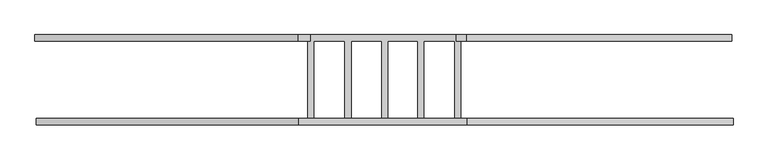
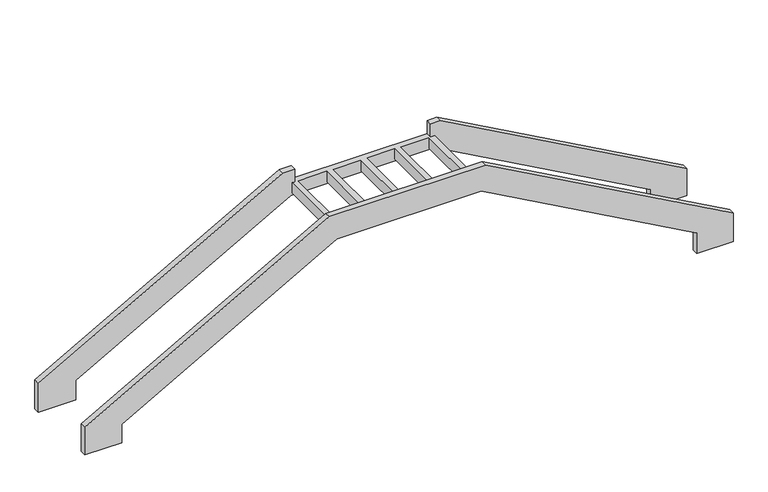
"""IFC4 building model written with IfcOpenShell, lengths in millimetres: stair geometry."""

import ifcopenshell
import ifcopenshell.guid

model = None  # the IFC model being written
_history = None  # IfcOwnerHistory: only IFC2X3 demands one
_inside = {}  # id of a spatial element -> (the spatial element, [elements in it])
_under = {}  # id of a project, library or spatial element -> (it, [spatial elements below it])
_declared = {}  # id of a project -> (the project, [libraries it declares])
_typed = {}  # id of a type object -> (the type object, [elements of that type])
_made_of = {}  # id of a material, layer set ... -> (it, [elements and type objects made of it])


def new_model(schema):
    """Start an empty IFC model of exactly this schema.

    Asked for "IFC4X3", IfcOpenShell would pick the latest addendum, in which some entities
    have other attributes; the version numbers below select the first issue.
    IFC2X3 requires an IfcOwnerHistory on every rooted entity: one is made here for all.
    """
    global model, _history
    if schema == "IFC4X3":
        model = ifcopenshell.file(schema_version=(4, 3, 0, 0))
    else:
        model = ifcopenshell.file(schema=schema)
    _inside.clear()
    _under.clear()
    _declared.clear()
    _typed.clear()
    _made_of.clear()
    _history = None
    if model.schema == "IFC2X3":
        org = make("IfcOrganization", Name="unknown")
        user = make(
            "IfcPersonAndOrganization",
            ThePerson=make("IfcPerson", FamilyName="unknown"),
            TheOrganization=org,
        )
        app = make(
            "IfcApplication",
            ApplicationDeveloper=org,
            Version="unknown",
            ApplicationFullName="unknown",
            ApplicationIdentifier="unknown",
        )
        _history = make(
            "IfcOwnerHistory",
            OwningUser=user,
            OwningApplication=app,
            ChangeAction="ADDED",
            CreationDate=0,
        )
    return model


def make(cls, **values):
    """One entity of the class cls with the attributes given. An attribute that is None is left unset."""
    return model.create_entity(
        cls, **{name: value for name, value in values.items() if value is not None}
    )


def rooted(cls, **values):
    """An entity with a GlobalId (a new one), such as an element, a storey or a relation."""
    return make(cls, GlobalId=ifcopenshell.guid.new(), OwnerHistory=_history, **values)


def si_unit(unit_type, name, prefix=None):
    """IfcSIUnit, for example si_unit("LENGTHUNIT", "METRE", prefix="MILLI")."""
    return make("IfcSIUnit", UnitType=unit_type, Prefix=prefix, Name=name)


def assignment(units):
    """IfcUnitAssignment: the units of a project."""
    return None if units is None else make("IfcUnitAssignment", Units=units)


def point(xyz):
    """IfcCartesianPoint."""
    return None if xyz is None else make("IfcCartesianPoint", Coordinates=xyz)


def direction(xyz):
    """IfcDirection."""
    return None if xyz is None else make("IfcDirection", DirectionRatios=xyz)


def frame(location, z_axis=None, x_axis=None):
    """IfcAxis2Placement3D, a coordinate frame: its origin and axes. An axis left out is left unset."""
    return make(
        "IfcAxis2Placement3D",
        Location=point(location),
        Axis=direction(z_axis),
        RefDirection=direction(x_axis),
    )


def origin():
    """The frame at (0, 0, 0) with its axes left unset."""
    return frame((0.0, 0.0, 0.0))


def place(relative_to, where):
    """IfcLocalPlacement: puts the frame where relative to a parent placement (None: the world)."""
    return make(
        "IfcLocalPlacement", PlacementRelTo=relative_to, RelativePlacement=where
    )


def context(
    kind, dimensions, precision=None, world=None, true_north=None, identifier=None
):
    """IfcGeometricRepresentationContext, for example the 3D "Model" context."""
    return make(
        "IfcGeometricRepresentationContext",
        ContextIdentifier=identifier,
        ContextType=kind,
        CoordinateSpaceDimension=dimensions,
        Precision=precision,
        WorldCoordinateSystem=world,
        TrueNorth=true_north,
    )


def project(units=None, contexts=None):
    """IfcProject with its units and contexts."""
    return rooted(
        "IfcProject",
        Name="project",
        RepresentationContexts=contexts,
        UnitsInContext=assignment(units),
    )


def spatial(cls, under=None, at=None, **own):
    """A site, building, storey or space (cls), placed at a placement, below another one or the project."""
    s = rooted(cls, ObjectPlacement=at, **own)
    if under is not None:
        _under.setdefault(under.id(), (under, []))[1].append(s)
    return s


def faces_of(points, faces, orient=None, outer=None):
    """IfcFace entities. A face is a list of loops; a loop is a list of indices into points, from 0.

    orient and outer hold one flag for each loop. By default every Orientation is true, the
    first loop of a face is its IfcFaceOuterBound and the others are IfcFaceBound.
    """
    made = []
    for i, loops in enumerate(faces):
        bounds = []
        for j, loop in enumerate(loops):
            is_outer = j == 0 if outer is None else outer[i][j]
            bounds.append(
                make(
                    "IfcFaceOuterBound" if is_outer else "IfcFaceBound",
                    Bound=make("IfcPolyLoop", Polygon=[points[k] for k in loop]),
                    Orientation=True if orient is None else orient[i][j],
                )
            )
        made.append(make("IfcFace", Bounds=bounds))
    return made


def faceted_brep(points, faces, orient=None, outer=None, voids=None):
    """IfcFacetedBrep: a solid bounded by flat faces; with voids (closed shells), ...WithVoids."""
    shared = [point(p) for p in points]
    hull = make("IfcClosedShell", CfsFaces=faces_of(shared, faces, orient, outer))
    if voids is None:
        return make("IfcFacetedBrep", Outer=hull)
    return make(
        "IfcFacetedBrepWithVoids",
        Outer=hull,
        Voids=[
            make(cls, CfsFaces=faces_of(shared, fs, o, b)) for cls, fs, o, b in voids
        ],
    )


def shape(context_of_items, identifier, shape_type, items):
    """IfcShapeRepresentation: the items that make up one representation, for example the "Body"."""
    return make(
        "IfcShapeRepresentation",
        ContextOfItems=context_of_items,
        RepresentationIdentifier=identifier,
        RepresentationType=shape_type,
        Items=items,
    )


def source(mapping_origin, context_of_items, identifier, shape_type, items):
    """IfcRepresentationMap: a shape defined once, which mapped items show again and again."""
    return make(
        "IfcRepresentationMap",
        MappingOrigin=mapping_origin,
        MappedRepresentation=shape(context_of_items, identifier, shape_type, items),
    )


def transform(
    local_origin,
    x_axis=None,
    y_axis=None,
    z_axis=None,
    scale=None,
    scale2=None,
    scale3=None,
    uniform=True,
):
    """IfcCartesianTransformationOperator3D, or its non-uniform kind. x_axis, y_axis, z_axis: its Axis1, 2, 3."""
    if uniform:
        return make(
            "IfcCartesianTransformationOperator3D",
            Axis1=direction(x_axis),
            Axis2=direction(y_axis),
            LocalOrigin=point(local_origin),
            Scale=scale,
            Axis3=direction(z_axis),
        )
    return make(
        "IfcCartesianTransformationOperator3DnonUniform",
        Axis1=direction(x_axis),
        Axis2=direction(y_axis),
        LocalOrigin=point(local_origin),
        Scale=scale,
        Axis3=direction(z_axis),
        Scale2=scale2,
        Scale3=scale3,
    )


def mapped(mapping_source, mapping_target):
    """IfcMappedItem: shows the shape of a source again, moved by a transform."""
    return make(
        "IfcMappedItem", MappingSource=mapping_source, MappingTarget=mapping_target
    )


def made_of(thing, what):
    """Note that an element or type object is made of a material, layer set ...; save() writes the relation."""
    if what is not None:
        _made_of.setdefault(what.id(), (what, []))[1].append(thing)
    return thing


def element(
    cls,
    number,
    at=None,
    inside=None,
    cuts=None,
    type_object=None,
    material=None,
    context=None,
    identifier="Body",
    shape_type=None,
    held_by="IfcProductDefinitionShape",
    body=None,
    shapes=None,
    **own,
):
    """One element of the class cls, such as IfcWall. Its Tag is "e" and its number.

    at: its placement. inside: the storey or other place that contains it. cuts: it is an
    opening in that element (IfcRelVoidsElement). A single representation is given by context,
    identifier, shape_type and body (its items); several are given by shapes. held_by: the class
    of the entity that holds the representations. save() writes the other relations.
    """
    e = rooted(cls, Tag="e%d" % number, ObjectPlacement=at, **own)
    if body is not None:
        shapes = [shape(context, identifier, shape_type, body)]
    if shapes is not None:
        e.Representation = make(held_by, Representations=shapes)
    if inside is not None:
        _inside.setdefault(inside.id(), (inside, []))[1].append(e)
    if cuts is not None:
        rooted(
            "IfcRelVoidsElement", RelatingBuildingElement=cuts, RelatedOpeningElement=e
        )
    if type_object is not None:
        _typed.setdefault(type_object.id(), (type_object, []))[1].append(e)
    return made_of(e, material)


def aggregate(whole, parts):
    """IfcRelAggregates: a whole, such as a stair, and the parts it consists of."""
    return rooted("IfcRelAggregates", RelatingObject=whole, RelatedObjects=parts)


def save(model, path):
    """Write the relations noted so far, then the file.

    IfcRelAggregates (storeys below a building ...), IfcRelContainedInSpatialStructure (elements
    in a storey), IfcRelDefinesByType, IfcRelAssociatesMaterial and IfcRelDeclares: one each for
    every whole, place, type object, material and project.
    """
    for whole, parts in _under.values():
        aggregate(whole, parts)
    for where, things in _inside.values():
        rooted(
            "IfcRelContainedInSpatialStructure",
            RelatedElements=things,
            RelatingStructure=where,
        )
    for kind, things in _typed.values():
        rooted("IfcRelDefinesByType", RelatedObjects=things, RelatingType=kind)
    for what, things in _made_of.values():
        rooted("IfcRelAssociatesMaterial", RelatedObjects=things, RelatingMaterial=what)
    for by, libraries in _declared.values():
        rooted("IfcRelDeclares", RelatingContext=by, RelatedDefinitions=libraries)
    model.write(path)


def stair_40a52175(model_context):
    return source(origin(), model_context, "Body", "Brep", [
        faceted_brep([(33519.3281352, 100305.7712866, -2144.2846707), (37103.0549228, 100305.7943654, -131.1765302), (39510.7451176, 100305.8098706, -131.1765302), (43093.6601575, 100305.8329441, -2123.1893443), (43093.6601575, 100305.8329441, -2483.2639797), (43703.3254075, 100305.8368703, -2483.2639797), (43703.3254075, 100305.8368703, -1981.909884), (39583.2263046, 100305.8103374, 308.7640832), (36973.6062143, 100305.7935317, 308.7640832), (32899.7074466, 100305.7672963, -1979.691276), (32899.7074466, 100305.7672963, -2464.9395685), (33519.3281352, 100305.7712866, -2464.9395685), (33519.3274899, 100405.9673829, -2144.2846707), (33519.3274899, 100405.9673829, -2464.9395685), (32899.7068014, 100405.9633926, -2464.9395685), (32899.7068014, 100405.9633926, -1979.691276), (36973.6055691, 100405.989628, 308.7640832), (39583.2256594, 100406.0064337, 308.7640832), (43703.3247623, 100406.0329666, -1981.909884), (43703.3247623, 100406.0329666, -2483.2639797), (43093.6595122, 100406.0290404, -2483.2639797), (43093.6595122, 100406.0290404, -2123.1893443), (39510.7444724, 100406.0059669, -131.1765302), (37103.0542775, 100405.9904617, -131.1765302), (37107.8563082, 100405.9904926, -113.9867204), (37202.8292514, 100405.9911042, -113.9867204), (37202.8292483, 100405.9911042, 70.875), (37107.8563082, 100405.9904926, 70.875), (37686.0567788, 100405.9942161, -113.9867204), (37781.029722, 100405.9948278, -113.9867204), (37781.0297198, 100405.9948278, 70.875), (37686.0567788, 100405.9942161, 70.875), (38252.8350613, 100405.9978661, -113.9867204), (38347.8080045, 100405.9984777, -113.9867204), (38347.8080026, 100405.9984777, 70.875), (38252.8350613, 100405.9978661, 70.875), (38815.8911337, 100406.0014921, -113.9867204), (38910.8640769, 100406.0021037, -113.9867204), (38910.8640745, 100406.0021037, 70.875), (38815.8911337, 100406.0014921, 70.875), (39386.1262863, 100406.0051644, -113.9867204), (39483.5992295, 100406.0057921, -113.9867204), (39483.5992269, 100406.0057921, 70.875), (39386.1262863, 100406.0051644, 70.875), (33499.3197457, 101608.5128411, -2153.4503186), (37081.5612232, 101608.5359103, -141.1765302), (39482.7163365, 101608.5513734, -141.1765302), (43073.651768, 101608.5744986, -2137.6484851), (43073.651768, 101608.5744986, -2453.5005751), (43683.317018, 101608.5784248, -2453.5005751), (43683.317018, 101608.5784248, -1984.6897613), (39576.2043207, 101608.5519755, 298.7640832), (39413.1879141, 101608.5509257, 298.7640832), (39413.1879141, 101608.5509257, 70.875), (39483.5914853, 101608.5513791, 70.875), (39483.5914853, 101608.5513791, -113.9867204), (39386.1185421, 101608.5507514, -113.9867204), (39386.1185421, 101608.5507514, 70.875), (38910.8563326, 101608.5476907, 70.875), (38910.8563326, 101608.5476907, -113.9867204), (38815.8833894, 101608.5470791, -113.9867204), (38815.8833894, 101608.5470791, 70.875), (38347.8002602, 101608.5440647, 70.875), (38347.8002602, 101608.5440647, -113.9867204), (38252.827317, 101608.5434531, -113.9867204), (38252.827317, 101608.5434531, 70.875), (37781.0219778, 101608.5404147, 70.875), (37781.0219778, 101608.5404147, -113.9867204), (37686.0490346, 101608.5398031, -113.9867204), (37686.0490346, 101608.5398031, 70.875), (37202.8215071, 101608.5366912, 70.875), (37202.8215071, 101608.5366912, -113.9867204), (37107.8485639, 101608.5360796, -113.9867204), (37107.8485639, 101608.5360796, 70.875), (37151.9460293, 101608.5363636, 70.875), (37151.9460293, 101608.5363636, 298.7640832), (36952.1125147, 101608.5350767, 298.7640832), (32879.6990571, 101608.5088508, -1988.856924), (32879.6990571, 101608.5088508, -2494.9395685), (33499.3197457, 101608.5128411, -2494.9395685), (33499.3191004, 101708.7089374, -2153.4503186), (33499.3191004, 101708.7089374, -2494.9395685), (32879.6984119, 101708.7049471, -2494.9395685), (32879.6984119, 101708.7049471, -1988.856924), (36952.1118695, 101708.731173, 298.7640832), (37151.9453841, 101708.7324599, 298.7640832), (37151.9453841, 101708.7324599, 70.875), (39413.1872689, 101708.747022, 70.875), (39413.1872689, 101708.747022, 298.7640832), (39576.2036755, 101708.7480718, 298.7640832), (43683.3163728, 101708.7745211, -1984.6897613), (43683.3163728, 101708.7745211, -2453.5005751), (43073.6511227, 101708.7705949, -2453.5005751), (43073.6511227, 101708.7705949, -2137.6484851), (39482.7156912, 101708.7474698, -141.1765302), (37081.5605779, 101708.7320066, -141.1765302)], [[[0, 1, 2, 3, 4, 5, 6, 7, 8, 9, 10, 11]], [[12, 13, 14, 15, 16, 17, 18, 19, 20, 21, 22, 23], [24, 25, 26, 27], [28, 29, 30, 31], [32, 33, 34, 35], [36, 37, 38, 39], [40, 41, 42, 43]], [[1, 0, 12, 23]], [[2, 1, 23, 22]], [[3, 2, 22, 21]], [[4, 3, 21, 20]], [[5, 4, 20, 19]], [[6, 5, 19, 18]], [[7, 6, 18, 17]], [[8, 7, 17, 16]], [[9, 8, 16, 15]], [[10, 9, 15, 14]], [[11, 10, 14, 13]], [[0, 11, 13, 12]], [[44, 45, 46, 47, 48, 49, 50, 51, 52, 53, 54, 55, 56, 57, 58, 59, 60, 61, 62, 63, 64, 65, 66, 67, 68, 69, 70, 71, 72, 73, 74, 75, 76, 77, 78, 79]], [[80, 81, 82, 83, 84, 85, 86, 87, 88, 89, 90, 91, 92, 93, 94, 95]], [[45, 44, 80, 95]], [[46, 45, 95, 94]], [[47, 46, 94, 93]], [[48, 47, 93, 92]], [[49, 48, 92, 91]], [[50, 49, 91, 90]], [[51, 50, 90, 89]], [[52, 51, 89, 88]], [[77, 76, 84, 83]], [[78, 77, 83, 82]], [[79, 78, 82, 81]], [[44, 79, 81, 80]], [[87, 53, 52, 88]], [[75, 74, 86, 85]], [[76, 75, 85, 84]], [[25, 24, 72, 71]], [[26, 25, 71, 70]], [[27, 26, 70, 69, 31, 30, 66, 65, 35, 34, 62, 61, 39, 38, 58, 57, 43, 42, 54, 53, 87, 86, 74, 73]], [[24, 27, 73, 72]], [[29, 28, 68, 67]], [[30, 29, 67, 66]], [[28, 31, 69, 68]], [[33, 32, 64, 63]], [[34, 33, 63, 62]], [[32, 35, 65, 64]], [[37, 36, 60, 59]], [[38, 37, 59, 58]], [[36, 39, 61, 60]], [[41, 40, 56, 55]], [[42, 41, 55, 54]], [[40, 43, 57, 56]]]),
    ])


if __name__ == "__main__":
    model = new_model("IFC4")
    model_context = context("Model", 3, world=origin())
    ifc_project = project(units=[si_unit("LENGTHUNIT", "METRE", prefix="MILLI")], contexts=[model_context])
    site = spatial("IfcSite", under=ifc_project)
    building = spatial("IfcBuilding", under=site)
    placement = place(None, origin())
    stair_shape = stair_40a52175(model_context)
    element("IfcStair", 1, at=placement, inside=building, context=model_context, shape_type="MappedRepresentation", body=[
        mapped(stair_shape, transform((0.0, 0.0, 0.0), x_axis=(1.0, 0.0, 0.0), y_axis=(0.0, 1.0, 0.0), z_axis=(0.0, 0.0, 1.0))),
    ])
    save(model, "model.ifc")
